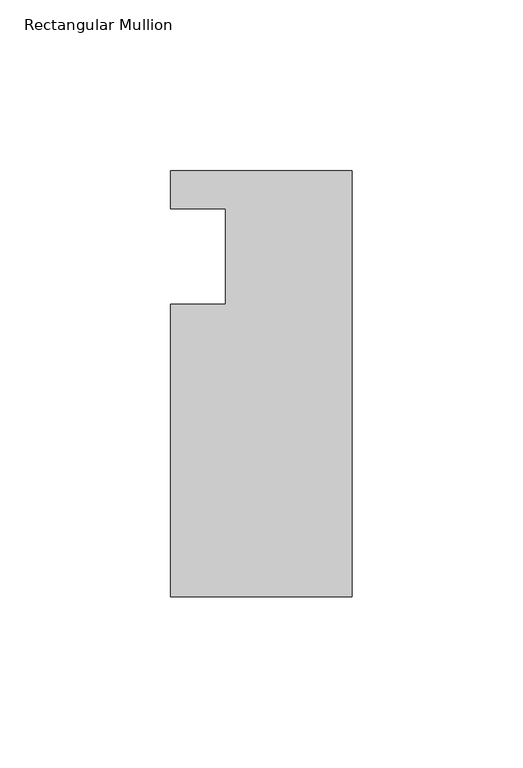
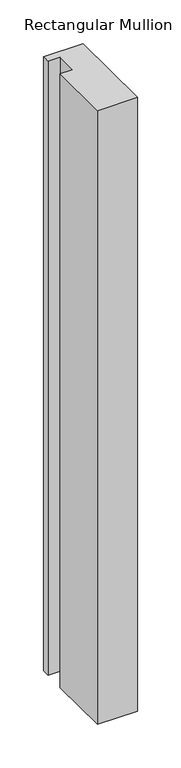
"""IFC4 building model written with IfcOpenShell, lengths in millimetres: member geometry, Rectangular Mullion."""

from ifc_helpers import new_model, si_unit, frame, origin, place, context, project, spatial, polyline, outline, extrude, source, transform, mapped, element, save


def rectangular_mullion_3df1da95(model_context):
    return source(origin(), model_context, "Body", "SweptSolid", [
        extrude(outline(polyline([(0.0, 25.0), (0.0, -99.5), (-53.0, -99.5), (-53.0, -14.0), (-37.0, -14.0), (-37.0, 14.0), (-53.0, 14.0), (-53.0, 25.0), (0.0, 25.0)])), frame((0.0, 0.0, -861.4796064), z_axis=(0.0, 0.0, 1.0), x_axis=(1.0, 0.0, 0.0)), (0.0, 0.0, 1.0), 861.4796064),
    ])


if __name__ == "__main__":
    model = new_model("IFC4")
    model_context = context("Model", 3, world=origin())
    ifc_project = project(units=[si_unit("LENGTHUNIT", "METRE", prefix="MILLI")], contexts=[model_context])
    site = spatial("IfcSite", under=ifc_project)
    building = spatial("IfcBuilding", under=site)
    placement = place(None, origin())
    rectangular_mullion_shape = rectangular_mullion_3df1da95(model_context)
    element("IfcMember", 1, ObjectType="Rectangular Mullion", at=placement, inside=building, context=model_context, shape_type="MappedRepresentation", body=[
        mapped(rectangular_mullion_shape, transform((0.0, 0.0, 0.0), x_axis=(1.0, 0.0, 0.0), y_axis=(0.0, 1.0, 0.0), z_axis=(0.0, 0.0, 1.0))),
    ])
    save(model, "model.ifc")
